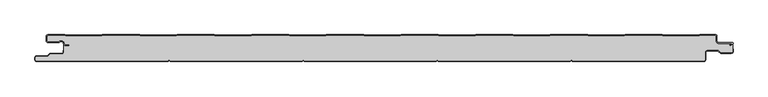
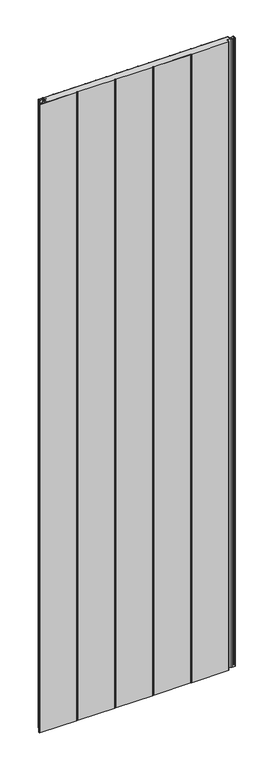
"""IFC4 building model written with IfcOpenShell, lengths in millimetres: plate geometry."""

from ifc_helpers import new_model, si_unit, point, frame_2d, origin, origin_with_axes, place, context, project, spatial, polyline, circle_curve, trimmed, segment, composite_curve, outline, extrude, source, transform, mapped, element, save


def plate_79162770(model_context):
    return source(origin(), model_context, "Body", "SweptSolid", [
        extrude(outline(composite_curve([segment(trimmed(circle_curve(frame_2d((-497.49499, -9.0180361)), 2.50501), [point((-497.49499, -11.5230461))], [point((-500.0, -9.0180361))], False, "CARTESIAN"), True, "CONTINUOUS"), segment(polyline([(-500.0, -9.0180361), (-500.0, -2.50501)]), True, "CONTINUOUS"), segment(trimmed(circle_curve(frame_2d((-497.49499, -2.50501)), 2.50501), [point((-500.0, -2.50501))], [point((-497.49499, 0.0))], False, "CARTESIAN"), True, "CONTINUOUS"), segment(polyline([(-497.49499, 0.0), (-472.2103007, 0.0), (-471.028188, -0.6012024), (-417.6391467, -0.6012024), (-416.457034, 0.0), (-360.8776353, 0.0), (-359.6955227, -0.6012024), (-306.3064814, -0.6012024), (-305.1243687, 0.0), (-249.54497, 0.0), (-248.3628573, -0.6012024), (-194.973816, -0.6012024), (-193.7917033, 0.0), (-138.2123047, 0.0), (-137.030192, -0.6012024), (-83.6411507, -0.6012024), (-82.459038, 0.0), (-26.8796393, 0.0), (-25.6975267, -0.6012024), (27.6915146, -0.6012024), (28.8736273, 0.0), (84.453026, 0.0), (85.6351387, -0.6012024), (139.02418, -0.6012024), (140.2062927, 0.0), (195.7856913, 0.0), (196.967804, -0.6012024), (250.3568453, -0.6012024), (251.538958, 0.0), (307.1183566, 0.0), (308.3004693, -0.6012024), (361.6895106, -0.6012024), (362.8716233, 0.0), (418.451022, 0.0), (419.6331347, -0.6012024), (473.022176, -0.6012024), (474.2042886, 0.0), (497.49499, 0.0)]), True, "CONTINUOUS"), segment(trimmed(circle_curve(frame_2d((497.49499, -2.50501)), 2.50501), [point((497.49499, 0.0))], [point((500.0, -2.50501))], False, "CARTESIAN"), True, "CONTINUOUS"), segment(polyline([(500.0, -2.50501), (500.0, -10.0200401)]), True, "CONTINUOUS"), segment(trimmed(circle_curve(frame_2d((502.004008, -10.0200401)), 2.004008), [point((500.0, -10.0200401))], [point((502.004008, -12.0240481))], True, "CARTESIAN"), True, "CONTINUOUS"), segment(polyline([(502.004008, -12.0240481), (522.96027, -12.0240481)]), True, "CONTINUOUS"), segment(trimmed(circle_curve(frame_2d((522.96027, -13.0490481)), 1.025), [point((522.96027, -12.0240481))], [point((523.47277, -13.9367241))], False, "CARTESIAN"), True, "CONTINUOUS"), segment(polyline([(523.47277, -13.9367241), (519.5390782, -16.2078422), (519.1390782, -15.5150218), (522.183956, -13.7570608)]), True, "CONTINUOUS"), segment(trimmed(circle_curve(frame_2d((521.933956, -13.3240481)), 0.5), [point((522.183956, -13.7570608))], [point((521.933956, -12.8240481))], True, "CARTESIAN"), True, "CONTINUOUS"), segment(polyline([(521.933956, -12.8240481), (502.004008, -12.8240481)]), True, "CONTINUOUS"), segment(trimmed(circle_curve(frame_2d((502.004008, -10.0200401)), 2.804008), [point((502.004008, -12.8240481))], [point((499.2, -10.0200401))], False, "CARTESIAN"), True, "CONTINUOUS"), segment(polyline([(499.2, -10.0200401), (499.2, -2.50501)]), True, "CONTINUOUS"), segment(trimmed(circle_curve(frame_2d((497.49499, -2.50501)), 1.70501), [point((499.2, -2.50501))], [point((497.49499, -0.8))], True, "CARTESIAN"), True, "CONTINUOUS"), segment(polyline([(497.49499, -0.8), (474.396035, -0.8), (473.2139223, -1.4012024), (419.4413883, -1.4012024), (418.2592756, -0.8), (363.0633697, -0.8), (361.881257, -1.4012024), (308.108723, -1.4012024), (306.9266103, -0.8), (251.7307044, -0.8), (250.5485917, -1.4012024), (196.7760576, -1.4012024), (195.5939449, -0.8), (140.398039, -0.8), (139.2159263, -1.4012024), (85.4433923, -1.4012024), (84.2612796, -0.8), (29.0653737, -0.8), (27.883261, -1.4012024), (-25.889273, -1.4012024), (-27.0713857, -0.8), (-82.2672916, -0.8), (-83.4494043, -1.4012024), (-137.2219384, -1.4012024), (-138.4040511, -0.8), (-193.599957, -0.8), (-194.7820696, -1.4012024), (-248.5546037, -1.4012024), (-249.7367164, -0.8), (-304.9326223, -0.8), (-306.114735, -1.4012024), (-359.887269, -1.4012024), (-361.0693817, -0.8), (-416.2652876, -0.8), (-417.4474003, -1.4012024), (-471.2199344, -1.4012024), (-472.4020471, -0.8), (-497.49499, -0.8)]), True, "CONTINUOUS"), segment(trimmed(circle_curve(frame_2d((-497.49499, -2.50501)), 1.70501), [point((-497.49499, -0.8))], [point((-499.2, -2.50501))], True, "CARTESIAN"), True, "CONTINUOUS"), segment(polyline([(-499.2, -2.50501), (-499.2, -9.0180361)]), True, "CONTINUOUS"), segment(trimmed(circle_curve(frame_2d((-497.49499, -9.0180361)), 1.70501), [point((-499.2, -9.0180361))], [point((-497.49499, -10.7230461))], True, "CARTESIAN"), True, "CONTINUOUS"), segment(polyline([(-497.49499, -10.7230461), (-481.8173283, -10.7230461)]), True, "CONTINUOUS"), segment(trimmed(circle_curve(frame_2d((-481.8173283, -9.0180361)), 1.70501), [point((-481.8173283, -10.7230461))], [point((-480.6895701, -10.2967936))], True, "CARTESIAN"), True, "CONTINUOUS"), segment(trimmed(circle_curve(frame_2d((-477.8407481, -13.5270541)), 4.307014), [point((-480.6895701, -10.2967936))], [point((-473.7934788, -12.0539686))], False, "CARTESIAN"), True, "CONTINUOUS"), segment(polyline([(-473.7934788, -12.0539686), (-473.0450711, -14.1102019)]), True, "CONTINUOUS"), segment(trimmed(circle_curve(frame_2d((-471.4428858, -13.5270541)), 1.70501), [point((-473.0450711, -14.1102019))], [point((-471.4428858, -15.2320641))], True, "CARTESIAN"), True, "CONTINUOUS"), segment(polyline([(-471.4428858, -15.2320641), (-466.4328657, -15.2320641), (-466.4328657, -16.0320641), (-471.4428858, -16.0320641)]), True, "CONTINUOUS"), segment(trimmed(circle_curve(frame_2d((-471.4428858, -13.5270541)), 2.50501), [point((-471.4428858, -16.0320641))], [point((-473.7968252, -14.383818))], False, "CARTESIAN"), True, "CONTINUOUS"), segment(polyline([(-473.7968252, -14.383818), (-474.5452329, -12.3275847)]), True, "CONTINUOUS"), segment(trimmed(circle_curve(frame_2d((-477.8407481, -13.5270541)), 3.507014), [point((-474.5452329, -12.3275847))], [point((-480.1604199, -10.8967936))], True, "CARTESIAN"), True, "CONTINUOUS"), segment(trimmed(circle_curve(frame_2d((-481.8173283, -9.0180361)), 2.50501), [point((-480.1604199, -10.8967936))], [point((-481.8173283, -11.5230461))], False, "CARTESIAN"), True, "CONTINUOUS"), segment(polyline([(-481.8173283, -11.5230461), (-497.49499, -11.5230461)]), True, "CONTINUOUS")], self_intersect=False)), origin_with_axes(), (0.0, 0.0, 1.0), 3500.0),
        extrude(outline(composite_curve([segment(polyline([(523.2, -12.8240481), (523.2, -25.25)]), True, "CONTINUOUS"), segment(trimmed(circle_curve(frame_2d((521.5, -25.25)), 1.7), [point((523.2, -25.25))], [point((521.5, -26.95))], False, "CARTESIAN"), True, "CONTINUOUS"), segment(polyline([(521.5, -26.95), (505.8492873, -26.95), (501.7886271, -23.2), (485.0, -23.2)]), True, "CONTINUOUS"), segment(trimmed(circle_curve(frame_2d((485.0, -26.0)), 2.8), [point((485.0, -23.2))], [point((482.2, -26.0))], True, "CARTESIAN"), True, "CONTINUOUS"), segment(polyline([(482.2, -26.0), (482.2, -37.5)]), True, "CONTINUOUS"), segment(trimmed(circle_curve(frame_2d((480.5, -37.5)), 1.7), [point((482.2, -37.5))], [point((480.5, -39.2))], False, "CARTESIAN"), True, "CONTINUOUS"), segment(polyline([(480.5, -39.2), (285.5, -39.2)]), True, "CONTINUOUS"), segment(trimmed(circle_curve(frame_2d((285.5, -37.5)), 1.7), [point((285.5, -39.2))], [point((284.0845596, -38.4415563))], False, "CARTESIAN"), True, "CONTINUOUS"), segment(trimmed(circle_curve(frame_2d((283.0, -39.1630095)), 1.302599), [point((284.0845596, -38.4415563))], [point((281.9154404, -38.4415563))], True, "CARTESIAN"), True, "CONTINUOUS"), segment(trimmed(circle_curve(frame_2d((280.5, -37.5)), 1.7), [point((281.9154404, -38.4415563))], [point((280.5, -39.2))], False, "CARTESIAN"), True, "CONTINUOUS"), segment(polyline([(280.5, -39.2), (85.5, -39.2)]), True, "CONTINUOUS"), segment(trimmed(circle_curve(frame_2d((85.5, -37.5)), 1.7), [point((85.5, -39.2))], [point((84.0845596, -38.4415563))], False, "CARTESIAN"), True, "CONTINUOUS"), segment(trimmed(circle_curve(frame_2d((83.0, -39.1630095)), 1.302599), [point((84.0845596, -38.4415563))], [point((81.9154404, -38.4415563))], True, "CARTESIAN"), True, "CONTINUOUS"), segment(trimmed(circle_curve(frame_2d((80.5, -37.5)), 1.7), [point((81.9154404, -38.4415563))], [point((80.5, -39.2))], False, "CARTESIAN"), True, "CONTINUOUS"), segment(polyline([(80.5, -39.2), (-114.5, -39.2)]), True, "CONTINUOUS"), segment(trimmed(circle_curve(frame_2d((-114.5, -37.5)), 1.7), [point((-114.5, -39.2))], [point((-115.9154404, -38.4415563))], False, "CARTESIAN"), True, "CONTINUOUS"), segment(trimmed(circle_curve(frame_2d((-117.0, -39.1630095)), 1.302599), [point((-115.9154404, -38.4415563))], [point((-118.0845596, -38.4415563))], True, "CARTESIAN"), True, "CONTINUOUS"), segment(trimmed(circle_curve(frame_2d((-119.5, -37.5)), 1.7), [point((-118.0845596, -38.4415563))], [point((-119.5, -39.2))], False, "CARTESIAN"), True, "CONTINUOUS"), segment(polyline([(-119.5, -39.2), (-314.5, -39.2)]), True, "CONTINUOUS"), segment(trimmed(circle_curve(frame_2d((-314.5, -37.5)), 1.7), [point((-314.5, -39.2))], [point((-315.9154404, -38.4415563))], False, "CARTESIAN"), True, "CONTINUOUS"), segment(trimmed(circle_curve(frame_2d((-317.0, -39.1630095)), 1.302599), [point((-315.9154404, -38.4415563))], [point((-318.0845596, -38.4415563))], True, "CARTESIAN"), True, "CONTINUOUS"), segment(trimmed(circle_curve(frame_2d((-319.5, -37.5)), 1.7), [point((-318.0845596, -38.4415563))], [point((-319.5, -39.2))], False, "CARTESIAN"), True, "CONTINUOUS"), segment(polyline([(-319.5, -39.2), (-514.5, -39.2)]), True, "CONTINUOUS"), segment(trimmed(circle_curve(frame_2d((-514.5, -37.5)), 1.7), [point((-514.5, -39.2))], [point((-516.2, -37.5))], False, "CARTESIAN"), True, "CONTINUOUS"), segment(polyline([(-516.2, -37.5), (-516.2, -34.5)]), True, "CONTINUOUS"), segment(trimmed(circle_curve(frame_2d((-514.5, -34.5)), 1.7), [point((-516.2, -34.5))], [point((-514.5, -32.8))], False, "CARTESIAN"), True, "CONTINUOUS"), segment(polyline([(-514.5, -32.8), (-498.1686292, -32.8), (-494.4186292, -29.05), (-477.0, -29.05)]), True, "CONTINUOUS"), segment(trimmed(circle_curve(frame_2d((-477.0, -26.25)), 2.8), [point((-477.0, -29.05))], [point((-474.2, -26.25))], True, "CARTESIAN"), True, "CONTINUOUS"), segment(polyline([(-474.2, -26.25), (-474.2, -11.2258973)]), True, "CONTINUOUS"), segment(trimmed(circle_curve(frame_2d((-477.8407481, -13.5270541)), 4.307014), [point((-474.2, -11.2258973))], [point((-480.6895701, -10.2967936))], True, "CARTESIAN"), True, "CONTINUOUS"), segment(trimmed(circle_curve(frame_2d((-481.8173283, -9.0180361)), 1.70501), [point((-480.6895701, -10.2967936))], [point((-481.8173283, -10.7230461))], False, "CARTESIAN"), True, "CONTINUOUS"), segment(polyline([(-481.8173283, -10.7230461), (-497.49499, -10.7230461)]), True, "CONTINUOUS"), segment(trimmed(circle_curve(frame_2d((-497.49499, -9.0180361)), 1.70501), [point((-497.49499, -10.7230461))], [point((-499.2, -9.0180361))], False, "CARTESIAN"), True, "CONTINUOUS"), segment(polyline([(-499.2, -9.0180361), (-499.2, -2.50501)]), True, "CONTINUOUS"), segment(trimmed(circle_curve(frame_2d((-497.49499, -2.50501)), 1.70501), [point((-499.2, -2.50501))], [point((-497.49499, -0.8))], False, "CARTESIAN"), True, "CONTINUOUS"), segment(polyline([(-497.49499, -0.8), (-472.4020471, -0.8), (-471.2199344, -1.4012024), (-417.4474003, -1.4012024), (-416.2652876, -0.8), (-361.0693817, -0.8), (-359.887269, -1.4012024), (-306.114735, -1.4012024), (-304.9326223, -0.8), (-249.7367164, -0.8), (-248.5546037, -1.4012024), (-194.7820696, -1.4012024), (-193.599957, -0.8), (-138.4040511, -0.8), (-137.2219384, -1.4012024), (-83.4494043, -1.4012024), (-82.2672916, -0.8), (-27.0713857, -0.8), (-25.889273, -1.4012024), (27.883261, -1.4012024), (29.0653737, -0.8), (84.2612796, -0.8), (85.4433923, -1.4012024), (139.2159263, -1.4012024), (140.398039, -0.8), (195.5939449, -0.8), (196.7760576, -1.4012024), (250.5485917, -1.4012024), (251.7307044, -0.8), (306.9266103, -0.8), (308.108723, -1.4012024), (361.881257, -1.4012024), (363.0633697, -0.8), (418.2592756, -0.8), (419.4413883, -1.4012024), (473.2139223, -1.4012024), (474.396035, -0.8), (497.49499, -0.8)]), True, "CONTINUOUS"), segment(trimmed(circle_curve(frame_2d((497.49499, -2.50501)), 1.70501), [point((497.49499, -0.8))], [point((499.2, -2.50501))], False, "CARTESIAN"), True, "CONTINUOUS"), segment(polyline([(499.2, -2.50501), (499.2, -10.0200401)]), True, "CONTINUOUS"), segment(trimmed(circle_curve(frame_2d((502.004008, -10.0200401)), 2.804008), [point((499.2, -10.0200401))], [point((502.004008, -12.8240481))], True, "CARTESIAN"), True, "CONTINUOUS"), segment(polyline([(502.004008, -12.8240481), (523.2, -12.8240481)]), True, "CONTINUOUS")], self_intersect=False)), origin_with_axes(), (0.0, 0.0, 1.0), 3500.0),
        extrude(outline(composite_curve([segment(polyline([(-319.5, -40.0), (-514.5, -40.0)]), True, "CONTINUOUS"), segment(trimmed(circle_curve(frame_2d((-514.5, -37.5)), 2.5), [point((-514.5, -40.0))], [point((-517.0, -37.5))], False, "CARTESIAN"), True, "CONTINUOUS"), segment(polyline([(-517.0, -37.5), (-517.0, -34.5)]), True, "CONTINUOUS"), segment(trimmed(circle_curve(frame_2d((-514.5, -34.5)), 2.5), [point((-517.0, -34.5))], [point((-514.5, -32.0))], False, "CARTESIAN"), True, "CONTINUOUS"), segment(polyline([(-514.5, -32.0), (-498.5, -32.0), (-494.75, -28.25), (-477.0, -28.25)]), True, "CONTINUOUS"), segment(trimmed(circle_curve(frame_2d((-477.0, -26.25)), 2.0), [point((-477.0, -28.25))], [point((-475.0, -26.25))], True, "CARTESIAN"), True, "CONTINUOUS"), segment(polyline([(-475.0, -26.25), (-475.0, -23.25), (-474.2, -23.25), (-474.2, -26.25)]), True, "CONTINUOUS"), segment(trimmed(circle_curve(frame_2d((-477.0, -26.25)), 2.8), [point((-474.2, -26.25))], [point((-477.0, -29.05))], False, "CARTESIAN"), True, "CONTINUOUS"), segment(polyline([(-477.0, -29.05), (-494.4186292, -29.05), (-498.1686292, -32.8), (-514.5, -32.8)]), True, "CONTINUOUS"), segment(trimmed(circle_curve(frame_2d((-514.5, -34.5)), 1.7), [point((-514.5, -32.8))], [point((-516.2, -34.5))], True, "CARTESIAN"), True, "CONTINUOUS"), segment(polyline([(-516.2, -34.5), (-516.2, -37.5)]), True, "CONTINUOUS"), segment(trimmed(circle_curve(frame_2d((-514.5, -37.5)), 1.7), [point((-516.2, -37.5))], [point((-514.5, -39.2))], True, "CARTESIAN"), True, "CONTINUOUS"), segment(polyline([(-514.5, -39.2), (-319.5, -39.2)]), True, "CONTINUOUS"), segment(trimmed(circle_curve(frame_2d((-319.5, -37.5)), 1.7), [point((-319.5, -39.2))], [point((-318.0845596, -38.4415563))], True, "CARTESIAN"), True, "CONTINUOUS"), segment(trimmed(circle_curve(frame_2d((-317.0, -39.1630095)), 1.302599), [point((-318.0845596, -38.4415563))], [point((-315.9154404, -38.4415563))], False, "CARTESIAN"), True, "CONTINUOUS"), segment(trimmed(circle_curve(frame_2d((-314.5, -37.5)), 1.7), [point((-315.9154404, -38.4415563))], [point((-314.5, -39.2))], True, "CARTESIAN"), True, "CONTINUOUS"), segment(polyline([(-314.5, -39.2), (-119.5, -39.2)]), True, "CONTINUOUS"), segment(trimmed(circle_curve(frame_2d((-119.5, -37.5)), 1.7), [point((-119.5, -39.2))], [point((-118.0845596, -38.4415563))], True, "CARTESIAN"), True, "CONTINUOUS"), segment(trimmed(circle_curve(frame_2d((-117.0, -39.1630095)), 1.302599), [point((-118.0845596, -38.4415563))], [point((-115.9154404, -38.4415563))], False, "CARTESIAN"), True, "CONTINUOUS"), segment(trimmed(circle_curve(frame_2d((-114.5, -37.5)), 1.7), [point((-115.9154404, -38.4415563))], [point((-114.5, -39.2))], True, "CARTESIAN"), True, "CONTINUOUS"), segment(polyline([(-114.5, -39.2), (80.5, -39.2)]), True, "CONTINUOUS"), segment(trimmed(circle_curve(frame_2d((80.5, -37.5)), 1.7), [point((80.5, -39.2))], [point((81.9154404, -38.4415563))], True, "CARTESIAN"), True, "CONTINUOUS"), segment(trimmed(circle_curve(frame_2d((83.0, -39.1630095)), 1.302599), [point((81.9154404, -38.4415563))], [point((84.0845596, -38.4415563))], False, "CARTESIAN"), True, "CONTINUOUS"), segment(trimmed(circle_curve(frame_2d((85.5, -37.5)), 1.7), [point((84.0845596, -38.4415563))], [point((85.5, -39.2))], True, "CARTESIAN"), True, "CONTINUOUS"), segment(polyline([(85.5, -39.2), (280.5, -39.2)]), True, "CONTINUOUS"), segment(trimmed(circle_curve(frame_2d((280.5, -37.5)), 1.7), [point((280.5, -39.2))], [point((281.9154404, -38.4415563))], True, "CARTESIAN"), True, "CONTINUOUS"), segment(trimmed(circle_curve(frame_2d((283.0, -39.1630095)), 1.302599), [point((281.9154404, -38.4415563))], [point((284.0845596, -38.4415563))], False, "CARTESIAN"), True, "CONTINUOUS"), segment(trimmed(circle_curve(frame_2d((285.5, -37.5)), 1.7), [point((284.0845596, -38.4415563))], [point((285.5, -39.2))], True, "CARTESIAN"), True, "CONTINUOUS"), segment(polyline([(285.5, -39.2), (480.5, -39.2)]), True, "CONTINUOUS"), segment(trimmed(circle_curve(frame_2d((480.5, -37.5)), 1.7), [point((480.5, -39.2))], [point((482.2, -37.5))], True, "CARTESIAN"), True, "CONTINUOUS"), segment(polyline([(482.2, -37.5), (482.2, -26.0)]), True, "CONTINUOUS"), segment(trimmed(circle_curve(frame_2d((485.0, -26.0)), 2.8), [point((482.2, -26.0))], [point((485.0, -23.2))], False, "CARTESIAN"), True, "CONTINUOUS"), segment(polyline([(485.0, -23.2), (501.7886271, -23.2), (505.8492873, -26.95), (521.5, -26.95)]), True, "CONTINUOUS"), segment(trimmed(circle_curve(frame_2d((521.5, -25.25)), 1.7), [point((521.5, -26.95))], [point((523.2, -25.25))], True, "CARTESIAN"), True, "CONTINUOUS"), segment(polyline([(523.2, -25.25), (523.2, -21.75), (524.0, -21.75), (524.0, -25.25)]), True, "CONTINUOUS"), segment(trimmed(circle_curve(frame_2d((521.5, -25.25)), 2.5), [point((524.0, -25.25))], [point((521.5, -27.75))], False, "CARTESIAN"), True, "CONTINUOUS"), segment(polyline([(521.5, -27.75), (505.5363961, -27.75), (501.4757359, -24.0), (485.0, -24.0)]), True, "CONTINUOUS"), segment(trimmed(circle_curve(frame_2d((485.0, -26.0)), 2.0), [point((485.0, -24.0))], [point((483.0, -26.0))], True, "CARTESIAN"), True, "CONTINUOUS"), segment(polyline([(483.0, -26.0), (483.0, -37.5)]), True, "CONTINUOUS"), segment(trimmed(circle_curve(frame_2d((480.5, -37.5)), 2.5), [point((483.0, -37.5))], [point((480.5, -40.0))], False, "CARTESIAN"), True, "CONTINUOUS"), segment(polyline([(480.5, -40.0), (285.5, -40.0)]), True, "CONTINUOUS"), segment(trimmed(circle_curve(frame_2d((285.5, -37.5)), 2.5), [point((285.5, -40.0))], [point((283.4184699, -38.8846417))], False, "CARTESIAN"), True, "CONTINUOUS"), segment(trimmed(circle_curve(frame_2d((283.0, -39.1630095)), 0.502599), [point((283.4184699, -38.8846417))], [point((282.5815301, -38.8846417))], True, "CARTESIAN"), True, "CONTINUOUS"), segment(trimmed(circle_curve(frame_2d((280.5, -37.5)), 2.5), [point((282.5815301, -38.8846417))], [point((280.5, -40.0))], False, "CARTESIAN"), True, "CONTINUOUS"), segment(polyline([(280.5, -40.0), (85.5, -40.0)]), True, "CONTINUOUS"), segment(trimmed(circle_curve(frame_2d((85.5, -37.5)), 2.5), [point((85.5, -40.0))], [point((83.4184699, -38.8846417))], False, "CARTESIAN"), True, "CONTINUOUS"), segment(trimmed(circle_curve(frame_2d((83.0, -39.1630095)), 0.502599), [point((83.4184699, -38.8846417))], [point((82.5815301, -38.8846417))], True, "CARTESIAN"), True, "CONTINUOUS"), segment(trimmed(circle_curve(frame_2d((80.5, -37.5)), 2.5), [point((82.5815301, -38.8846417))], [point((80.5, -40.0))], False, "CARTESIAN"), True, "CONTINUOUS"), segment(polyline([(80.5, -40.0), (-114.5, -40.0)]), True, "CONTINUOUS"), segment(trimmed(circle_curve(frame_2d((-114.5, -37.5)), 2.5), [point((-114.5, -40.0))], [point((-116.5815301, -38.8846417))], False, "CARTESIAN"), True, "CONTINUOUS"), segment(trimmed(circle_curve(frame_2d((-117.0, -39.1630095)), 0.502599), [point((-116.5815301, -38.8846417))], [point((-117.4184699, -38.8846417))], True, "CARTESIAN"), True, "CONTINUOUS"), segment(trimmed(circle_curve(frame_2d((-119.5, -37.5)), 2.5), [point((-117.4184699, -38.8846417))], [point((-119.5, -40.0))], False, "CARTESIAN"), True, "CONTINUOUS"), segment(polyline([(-119.5, -40.0), (-314.5, -40.0)]), True, "CONTINUOUS"), segment(trimmed(circle_curve(frame_2d((-314.5, -37.5)), 2.5), [point((-314.5, -40.0))], [point((-316.5815301, -38.8846417))], False, "CARTESIAN"), True, "CONTINUOUS"), segment(trimmed(circle_curve(frame_2d((-317.0, -39.1630095)), 0.502599), [point((-316.5815301, -38.8846417))], [point((-317.4184699, -38.8846417))], True, "CARTESIAN"), True, "CONTINUOUS"), segment(trimmed(circle_curve(frame_2d((-319.5, -37.5)), 2.5), [point((-317.4184699, -38.8846417))], [point((-319.5, -40.0))], False, "CARTESIAN"), True, "CONTINUOUS")], self_intersect=False)), origin_with_axes(), (0.0, 0.0, 1.0), 3500.0),
    ])


if __name__ == "__main__":
    model = new_model("IFC4")
    model_context = context("Model", 3, world=origin())
    ifc_project = project(units=[si_unit("LENGTHUNIT", "METRE", prefix="MILLI")], contexts=[model_context])
    site = spatial("IfcSite", under=ifc_project)
    building = spatial("IfcBuilding", under=site)
    placement = place(None, origin())
    plate_shape = plate_79162770(model_context)
    element("IfcPlate", 1, at=placement, inside=building, context=model_context, shape_type="MappedRepresentation", body=[
        mapped(plate_shape, transform((0.0, 0.0, 0.0), x_axis=(1.0, 0.0, 0.0), y_axis=(0.0, 1.0, 0.0), z_axis=(0.0, 0.0, 1.0))),
    ])
    save(model, "model.ifc")
